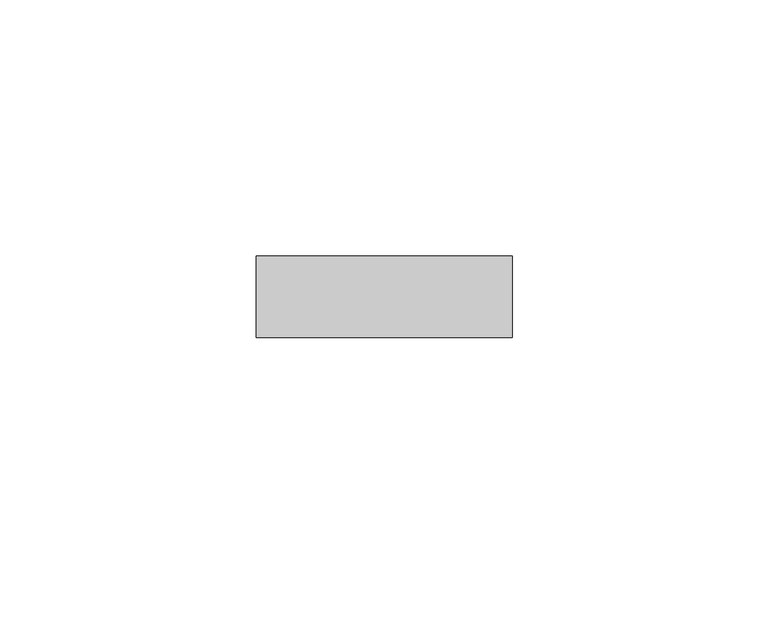
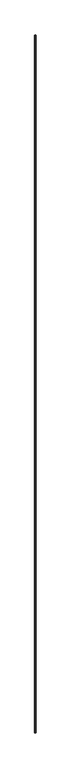
"""IFC4 building model written with IfcOpenShell, lengths in millimetres: proxy geometry."""

from ifc_helpers import new_model, si_unit, frame, origin, place, context, project, spatial, polyline, outline, extrude, source, transform, mapped, element, save


def generic_models_22cb751a(model_context):
    return source(origin(), model_context, "Body", "SweptSolid", [
        extrude(outline(polyline([(55.5018515, -62.4360182), (5.5018515, -62.4360182), (5.5018515, -46.4360182), (55.5018515, -46.4360182), (55.5018515, -62.4360182)])), frame((0.0, 0.0, -15708.7339758), z_axis=(0.0, 0.0, 1.0), x_axis=(1.0, 0.0, 0.0)), (0.0, 0.0, 1.0), 35917.4679517),
    ])


if __name__ == "__main__":
    model = new_model("IFC4")
    model_context = context("Model", 3, world=origin())
    ifc_project = project(units=[si_unit("LENGTHUNIT", "METRE", prefix="MILLI")], contexts=[model_context])
    site = spatial("IfcSite", under=ifc_project)
    building = spatial("IfcBuilding", under=site)
    placement = place(None, origin())
    generic_models_shape = generic_models_22cb751a(model_context)
    element("IfcBuildingElementProxy", 1, Name="Generic Models", at=placement, inside=building, context=model_context, shape_type="MappedRepresentation", body=[
        mapped(generic_models_shape, transform((0.0, 0.0, 0.0), x_axis=(1.0, 0.0, 0.0), y_axis=(0.0, 1.0, 0.0), z_axis=(0.0, 0.0, 1.0))),
    ])
    save(model, "model.ifc")
